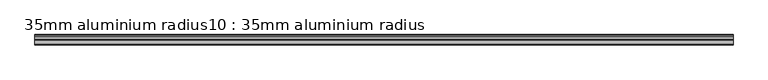
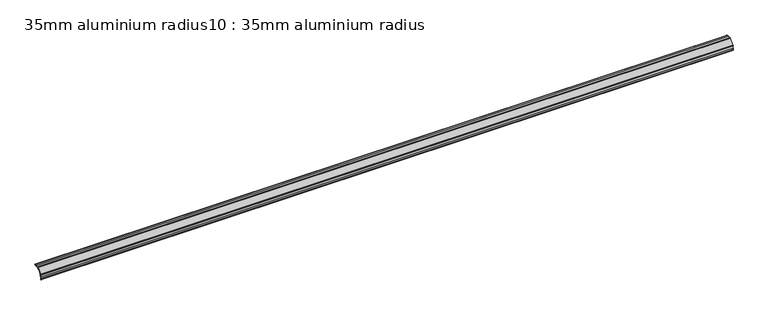
"""IFC4 building model written with IfcOpenShell, lengths in millimetres: proxy geometry, 35mm aluminium radius10 : 35mm aluminium radius."""

from ifc_helpers import new_model, si_unit, point, frame, frame_2d, origin, place, context, project, spatial, polyline, circle_curve, trimmed, segment, composite_curve, outline, extrude, source, transform, mapped, element, save


def proxy_35mm_aluminium_radius10_35mm_aluminium_radius_b98917c2(model_context):
    return source(origin(), model_context, "Body", "SweptSolid", [
        extrude(outline(composite_curve([segment(trimmed(circle_curve(frame_2d((992.6814444, 1425.7688387)), 0.5), [point((992.3442496, 1426.1380265))], [point((993.0392077, 1425.4195459))], False, "CARTESIAN"), True, "CONTINUOUS"), segment(trimmed(circle_curve(frame_2d((990.8610295, 1427.482442)), 3.0), [point((993.0392077, 1425.4195459))], [point((990.83869, 1424.4825251))], False, "CARTESIAN"), True, "CONTINUOUS"), segment(polyline([(990.83869, 1424.4825251), (984.5719885, 1424.5291916)]), True, "CONTINUOUS"), segment(trimmed(circle_curve(frame_2d((984.3858253, 1399.5298847)), 25.0), [point((984.5719885, 1424.5291916))], [point((959.3865185, 1399.7160479))], True, "CARTESIAN"), True, "CONTINUOUS"), segment(polyline([(959.3865185, 1399.7160479), (959.339852, 1393.4493464)]), True, "CONTINUOUS"), segment(trimmed(circle_curve(frame_2d((956.3399352, 1393.471686)), 3.0), [point((959.339852, 1393.4493464))], [point((958.3567018, 1391.2507284))], False, "CARTESIAN"), True, "CONTINUOUS"), segment(trimmed(circle_curve(frame_2d((958.0262376, 1391.6259529)), 0.5), [point((958.3567018, 1391.2507284))], [point((957.6621125, 1391.9686085))], False, "CARTESIAN"), True, "CONTINUOUS"), segment(trimmed(circle_curve(frame_2d((955.0864807, 1393.207402)), 2.8580567), [point((957.6621125, 1391.9686085))], [point((957.9392994, 1393.3803569))], True, "CARTESIAN"), True, "CONTINUOUS"), segment(polyline([(957.9392994, 1393.3803569), (957.9865573, 1399.726473)]), True, "CONTINUOUS"), segment(trimmed(circle_curve(frame_2d((984.3858253, 1399.5298847)), 26.4), [point((957.9865573, 1399.726473))], [point((959.2873988, 1407.7170078))], False, "CARTESIAN"), True, "CONTINUOUS"), segment(polyline([(959.2873988, 1407.7170078), (957.6461406, 1407.7292298), (957.6565657, 1409.129191), (959.786687, 1409.1133286)]), True, "CONTINUOUS"), segment(trimmed(circle_curve(frame_2d((984.3858253, 1399.5298847)), 26.4), [point((959.786687, 1409.1133286))], [point((975.1697904, 1424.2690177))], False, "CARTESIAN"), True, "CONTINUOUS"), segment(polyline([(975.1697904, 1424.2690177), (975.1856528, 1426.399139), (976.585614, 1426.3887139), (976.573392, 1424.7474557)]), True, "CONTINUOUS"), segment(trimmed(circle_curve(frame_2d((984.3858253, 1399.5298847)), 26.4), [point((976.573392, 1424.7474557))], [point((984.5824136, 1425.9291528))], False, "CARTESIAN"), True, "CONTINUOUS"), segment(polyline([(984.5824136, 1425.9291528), (991.2906773, 1425.8791981)]), True, "CONTINUOUS"), segment(trimmed(circle_curve(frame_2d((991.5609533, 1427.0527479)), 1.2042709), [point((991.2906773, 1425.8791981))], [point((992.3442496, 1426.1380265))], True, "CARTESIAN"), True, "CONTINUOUS")], self_intersect=False)), frame((6987.3395579, 0.0, 0.0), z_axis=(1.0, 0.0, 0.0), x_axis=(0.0, 1.0, 0.0)), (0.0, 0.0, 1.0), 2400.0),
    ])


if __name__ == "__main__":
    model = new_model("IFC4")
    model_context = context("Model", 3, world=origin())
    ifc_project = project(units=[si_unit("LENGTHUNIT", "METRE", prefix="MILLI")], contexts=[model_context])
    site = spatial("IfcSite", under=ifc_project)
    building = spatial("IfcBuilding", under=site)
    placement = place(None, origin())
    proxy_35mm_aluminium_radius10_35mm_aluminium_radius_shape = proxy_35mm_aluminium_radius10_35mm_aluminium_radius_b98917c2(model_context)
    element("IfcBuildingElementProxy", 1, Name="35mm aluminium radius10 : 35mm aluminium radius", ObjectType="35mm aluminium radius10 : 35mm aluminium radius", at=placement, inside=building, context=model_context, shape_type="MappedRepresentation", body=[
        mapped(proxy_35mm_aluminium_radius10_35mm_aluminium_radius_shape, transform((0.0, 0.0, 0.0), x_axis=(1.0, 0.0, 0.0), y_axis=(0.0, 1.0, 0.0), z_axis=(0.0, 0.0, 1.0))),
    ])
    save(model, "model.ifc")
